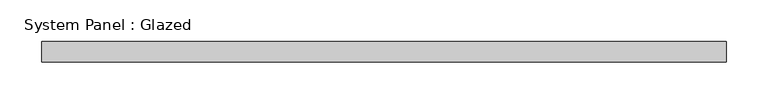
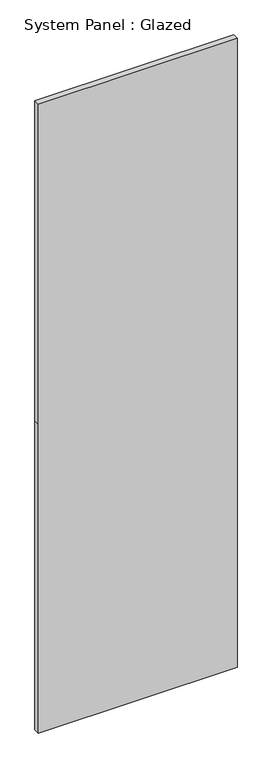
"""IFC4 building model written with IfcOpenShell, lengths in millimetres: plate geometry, System Panel : Glazed."""

from ifc_helpers import new_model, si_unit, frame, origin, place, context, project, spatial, polyline, outline, extrude, source, transform, mapped, element, save


def system_panel_glazed_34a15459(model_context):
    return source(origin(), model_context, "Body", "SweptSolid", [
        extrude(outline(polyline([(0.0, -412.5), (0.0, 412.5), (1355.6518706, 412.5), (2761.3037411, 412.5), (2761.3037411, -412.5), (1355.6518706, -412.5), (0.0, -412.5)])), frame((0.0, 24.5, 0.0), z_axis=(0.0, 1.0, 0.0), x_axis=(0.0, 0.0, 1.0)), (0.0, 0.0, 1.0), 25.0),
    ])


if __name__ == "__main__":
    model = new_model("IFC4")
    model_context = context("Model", 3, world=origin())
    ifc_project = project(units=[si_unit("LENGTHUNIT", "METRE", prefix="MILLI")], contexts=[model_context])
    site = spatial("IfcSite", under=ifc_project)
    building = spatial("IfcBuilding", under=site)
    placement = place(None, origin())
    system_panel_glazed_shape = system_panel_glazed_34a15459(model_context)
    element("IfcPlate", 1, ObjectType="System Panel : Glazed", at=placement, inside=building, context=model_context, shape_type="MappedRepresentation", body=[
        mapped(system_panel_glazed_shape, transform((0.0, 0.0, 0.0), x_axis=(1.0, 0.0, 0.0), y_axis=(0.0, 1.0, 0.0), z_axis=(0.0, 0.0, 1.0))),
    ])
    save(model, "model.ifc")
